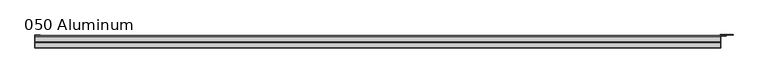
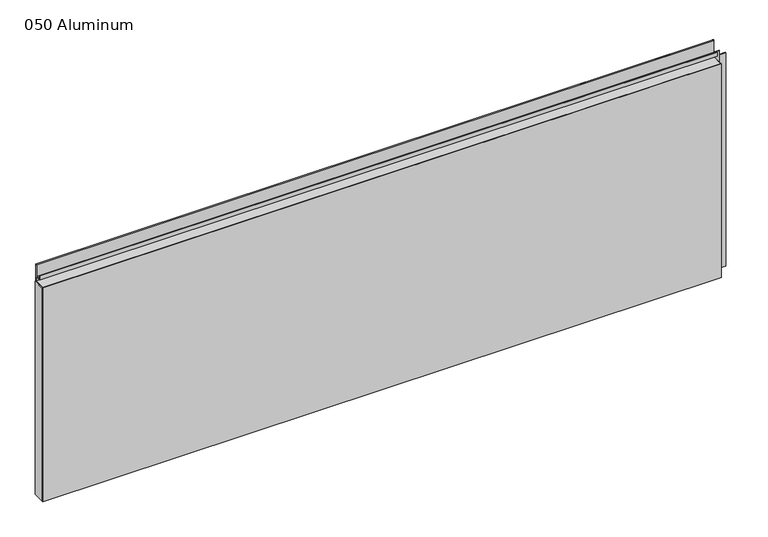
"""IFC4 building model written with IfcOpenShell, lengths in millimetres: plate geometry, 050 Aluminum."""

import ifcopenshell
import ifcopenshell.guid

model = None  # the IFC model being written
_history = None  # IfcOwnerHistory: only IFC2X3 demands one
_inside = {}  # id of a spatial element -> (the spatial element, [elements in it])
_under = {}  # id of a project, library or spatial element -> (it, [spatial elements below it])
_declared = {}  # id of a project -> (the project, [libraries it declares])
_typed = {}  # id of a type object -> (the type object, [elements of that type])
_made_of = {}  # id of a material, layer set ... -> (it, [elements and type objects made of it])


def new_model(schema):
    """Start an empty IFC model of exactly this schema.

    Asked for "IFC4X3", IfcOpenShell would pick the latest addendum, in which some entities
    have other attributes; the version numbers below select the first issue.
    IFC2X3 requires an IfcOwnerHistory on every rooted entity: one is made here for all.
    """
    global model, _history
    if schema == "IFC4X3":
        model = ifcopenshell.file(schema_version=(4, 3, 0, 0))
    else:
        model = ifcopenshell.file(schema=schema)
    _inside.clear()
    _under.clear()
    _declared.clear()
    _typed.clear()
    _made_of.clear()
    _history = None
    if model.schema == "IFC2X3":
        org = make("IfcOrganization", Name="unknown")
        user = make(
            "IfcPersonAndOrganization",
            ThePerson=make("IfcPerson", FamilyName="unknown"),
            TheOrganization=org,
        )
        app = make(
            "IfcApplication",
            ApplicationDeveloper=org,
            Version="unknown",
            ApplicationFullName="unknown",
            ApplicationIdentifier="unknown",
        )
        _history = make(
            "IfcOwnerHistory",
            OwningUser=user,
            OwningApplication=app,
            ChangeAction="ADDED",
            CreationDate=0,
        )
    return model


def make(cls, **values):
    """One entity of the class cls with the attributes given. An attribute that is None is left unset."""
    return model.create_entity(
        cls, **{name: value for name, value in values.items() if value is not None}
    )


def rooted(cls, **values):
    """An entity with a GlobalId (a new one), such as an element, a storey or a relation."""
    return make(cls, GlobalId=ifcopenshell.guid.new(), OwnerHistory=_history, **values)


def si_unit(unit_type, name, prefix=None):
    """IfcSIUnit, for example si_unit("LENGTHUNIT", "METRE", prefix="MILLI")."""
    return make("IfcSIUnit", UnitType=unit_type, Prefix=prefix, Name=name)


def assignment(units):
    """IfcUnitAssignment: the units of a project."""
    return None if units is None else make("IfcUnitAssignment", Units=units)


def point(xyz):
    """IfcCartesianPoint."""
    return None if xyz is None else make("IfcCartesianPoint", Coordinates=xyz)


def direction(xyz):
    """IfcDirection."""
    return None if xyz is None else make("IfcDirection", DirectionRatios=xyz)


def frame(location, z_axis=None, x_axis=None):
    """IfcAxis2Placement3D, a coordinate frame: its origin and axes. An axis left out is left unset."""
    return make(
        "IfcAxis2Placement3D",
        Location=point(location),
        Axis=direction(z_axis),
        RefDirection=direction(x_axis),
    )


def frame_2d(location, x_axis=None):
    """IfcAxis2Placement2D, a coordinate frame in the plane: its origin and x axis."""
    return make(
        "IfcAxis2Placement2D", Location=point(location), RefDirection=direction(x_axis)
    )


def origin():
    """The frame at (0, 0, 0) with its axes left unset."""
    return frame((0.0, 0.0, 0.0))


def origin_with_axes():
    """The frame at (0, 0, 0) with the z axis (0, 0, 1) and the x axis (1, 0, 0) written out."""
    return frame((0.0, 0.0, 0.0), z_axis=(0.0, 0.0, 1.0), x_axis=(1.0, 0.0, 0.0))


def place(relative_to, where):
    """IfcLocalPlacement: puts the frame where relative to a parent placement (None: the world)."""
    return make(
        "IfcLocalPlacement", PlacementRelTo=relative_to, RelativePlacement=where
    )


def context(
    kind, dimensions, precision=None, world=None, true_north=None, identifier=None
):
    """IfcGeometricRepresentationContext, for example the 3D "Model" context."""
    return make(
        "IfcGeometricRepresentationContext",
        ContextIdentifier=identifier,
        ContextType=kind,
        CoordinateSpaceDimension=dimensions,
        Precision=precision,
        WorldCoordinateSystem=world,
        TrueNorth=true_north,
    )


def project(units=None, contexts=None):
    """IfcProject with its units and contexts."""
    return rooted(
        "IfcProject",
        Name="project",
        RepresentationContexts=contexts,
        UnitsInContext=assignment(units),
    )


def spatial(cls, under=None, at=None, **own):
    """A site, building, storey or space (cls), placed at a placement, below another one or the project."""
    s = rooted(cls, ObjectPlacement=at, **own)
    if under is not None:
        _under.setdefault(under.id(), (under, []))[1].append(s)
    return s


def polyline(points):
    """IfcPolyline through the points."""
    return make("IfcPolyline", Points=[point(p) for p in points])


def circle_curve(where, radius):
    """IfcCircle in the frame where."""
    return make("IfcCircle", Position=where, Radius=radius)


def trimmed(basis, trim1, trim2, sense, master):
    """IfcTrimmedCurve: the piece of a basis curve between two trims."""
    return make(
        "IfcTrimmedCurve",
        BasisCurve=basis,
        Trim1=trim1,
        Trim2=trim2,
        SenseAgreement=sense,
        MasterRepresentation=master,
    )


def segment(curve, same_sense, transition):
    """IfcCompositeCurveSegment."""
    return make(
        "IfcCompositeCurveSegment",
        Transition=transition,
        SameSense=same_sense,
        ParentCurve=curve,
    )


def composite_curve(segments, self_intersect=None):
    """IfcCompositeCurve: segments joined end to end."""
    return make("IfcCompositeCurve", Segments=segments, SelfIntersect=self_intersect)


def outline(outer, holes=None, kind="AREA"):
    """IfcArbitraryClosedProfileDef: a profile drawn as a closed curve; with holes, ...WithVoids."""
    if holes is None:
        return make("IfcArbitraryClosedProfileDef", ProfileType=kind, OuterCurve=outer)
    return make(
        "IfcArbitraryProfileDefWithVoids",
        ProfileType=kind,
        OuterCurve=outer,
        InnerCurves=holes,
    )


def extrude(swept, where, along, depth):
    """IfcExtrudedAreaSolid: the profile swept, set in the frame where, extruded along a direction by depth."""
    return make(
        "IfcExtrudedAreaSolid",
        SweptArea=swept,
        Position=where,
        ExtrudedDirection=direction(along),
        Depth=depth,
    )


def shape(context_of_items, identifier, shape_type, items):
    """IfcShapeRepresentation: the items that make up one representation, for example the "Body"."""
    return make(
        "IfcShapeRepresentation",
        ContextOfItems=context_of_items,
        RepresentationIdentifier=identifier,
        RepresentationType=shape_type,
        Items=items,
    )


def source(mapping_origin, context_of_items, identifier, shape_type, items):
    """IfcRepresentationMap: a shape defined once, which mapped items show again and again."""
    return make(
        "IfcRepresentationMap",
        MappingOrigin=mapping_origin,
        MappedRepresentation=shape(context_of_items, identifier, shape_type, items),
    )


def transform(
    local_origin,
    x_axis=None,
    y_axis=None,
    z_axis=None,
    scale=None,
    scale2=None,
    scale3=None,
    uniform=True,
):
    """IfcCartesianTransformationOperator3D, or its non-uniform kind. x_axis, y_axis, z_axis: its Axis1, 2, 3."""
    if uniform:
        return make(
            "IfcCartesianTransformationOperator3D",
            Axis1=direction(x_axis),
            Axis2=direction(y_axis),
            LocalOrigin=point(local_origin),
            Scale=scale,
            Axis3=direction(z_axis),
        )
    return make(
        "IfcCartesianTransformationOperator3DnonUniform",
        Axis1=direction(x_axis),
        Axis2=direction(y_axis),
        LocalOrigin=point(local_origin),
        Scale=scale,
        Axis3=direction(z_axis),
        Scale2=scale2,
        Scale3=scale3,
    )


def mapped(mapping_source, mapping_target):
    """IfcMappedItem: shows the shape of a source again, moved by a transform."""
    return make(
        "IfcMappedItem", MappingSource=mapping_source, MappingTarget=mapping_target
    )


def made_of(thing, what):
    """Note that an element or type object is made of a material, layer set ...; save() writes the relation."""
    if what is not None:
        _made_of.setdefault(what.id(), (what, []))[1].append(thing)
    return thing


def element(
    cls,
    number,
    at=None,
    inside=None,
    cuts=None,
    type_object=None,
    material=None,
    context=None,
    identifier="Body",
    shape_type=None,
    held_by="IfcProductDefinitionShape",
    body=None,
    shapes=None,
    **own,
):
    """One element of the class cls, such as IfcWall. Its Tag is "e" and its number.

    at: its placement. inside: the storey or other place that contains it. cuts: it is an
    opening in that element (IfcRelVoidsElement). A single representation is given by context,
    identifier, shape_type and body (its items); several are given by shapes. held_by: the class
    of the entity that holds the representations. save() writes the other relations.
    """
    e = rooted(cls, Tag="e%d" % number, ObjectPlacement=at, **own)
    if body is not None:
        shapes = [shape(context, identifier, shape_type, body)]
    if shapes is not None:
        e.Representation = make(held_by, Representations=shapes)
    if inside is not None:
        _inside.setdefault(inside.id(), (inside, []))[1].append(e)
    if cuts is not None:
        rooted(
            "IfcRelVoidsElement", RelatingBuildingElement=cuts, RelatedOpeningElement=e
        )
    if type_object is not None:
        _typed.setdefault(type_object.id(), (type_object, []))[1].append(e)
    return made_of(e, material)


def aggregate(whole, parts):
    """IfcRelAggregates: a whole, such as a stair, and the parts it consists of."""
    return rooted("IfcRelAggregates", RelatingObject=whole, RelatedObjects=parts)


def save(model, path):
    """Write the relations noted so far, then the file.

    IfcRelAggregates (storeys below a building ...), IfcRelContainedInSpatialStructure (elements
    in a storey), IfcRelDefinesByType, IfcRelAssociatesMaterial and IfcRelDeclares: one each for
    every whole, place, type object, material and project.
    """
    for whole, parts in _under.values():
        aggregate(whole, parts)
    for where, things in _inside.values():
        rooted(
            "IfcRelContainedInSpatialStructure",
            RelatedElements=things,
            RelatingStructure=where,
        )
    for kind, things in _typed.values():
        rooted("IfcRelDefinesByType", RelatedObjects=things, RelatingType=kind)
    for what, things in _made_of.values():
        rooted("IfcRelAssociatesMaterial", RelatedObjects=things, RelatingMaterial=what)
    for by, libraries in _declared.values():
        rooted("IfcRelDeclares", RelatingContext=by, RelatedDefinitions=libraries)
    model.write(path)


def plate_050_aluminum_e6b565a1(model_context):
    return source(origin(), model_context, "Body", "SweptSolid", [
        extrude(outline(polyline([(-919.48, -2.5660257), (-919.48, -34.7980001), (-920.7499999, -34.7980001), (-920.7499999, -1.2699999), (-906.5894994, -1.2699999), (-906.5894994, -2.5660257), (-919.48, -2.5660257)])), origin_with_axes(), (0.0, 0.0, 1.0), 608.33),
        extrude(outline(composite_curve([segment(polyline([(-2.0574743, 656.7932001), (-2.0574743, 608.33), (-34.7980002, 608.33), (-34.7980002, 609.6000001), (-3.3274743, 609.6000001), (-3.3274743, 656.7932001)]), True, "CONTINUOUS"), segment(trimmed(circle_curve(frame_2d((-3.7084742, 656.7932001)), 0.3809999), [point((-3.3274743, 656.7932001))], [point((-4.0894742, 656.7932001))], True, "CARTESIAN"), True, "CONTINUOUS"), segment(polyline([(-4.0894742, 656.7932001), (-4.0894742, 622.3), (-20.4864742, 622.3), (-20.4864742, 633.6538), (-19.2164743, 633.6538), (-19.2164743, 623.57), (-5.3594742, 623.57), (-5.3594742, 656.7932001)]), True, "CONTINUOUS"), segment(trimmed(circle_curve(frame_2d((-3.7084742, 656.7932001)), 1.6509999), [point((-5.3594742, 656.7932001))], [point((-2.0574743, 656.7932001))], False, "CARTESIAN"), True, "CONTINUOUS")], self_intersect=False)), frame((-919.48, 0.0, 0.0), z_axis=(1.0, 0.0, 0.0), x_axis=(0.0, 1.0, 0.0)), (0.0, 0.0, 1.0), 1826.26),
        extrude(outline(polyline([(-920.75, -36.068), (-920.75, -34.7980001), (908.05, -34.7980001), (908.05, -36.068), (-920.75, -36.068)])), origin_with_axes(), (0.0, 0.0, 1.0), 609.6),
        extrude(outline(polyline([(908.05, -1.2699999), (908.05, -34.7980002), (906.7800001, -34.7980002), (906.7800001, 0.0), (940.5620856, 0.0), (940.5620856, -1.2699999), (908.05, -1.2699999)])), origin_with_axes(), (0.0, 0.0, 1.0), 608.33),
        extrude(outline(polyline([(906.78, -3.3274743), (906.78, -2.0574743), (922.5279999, -2.0574743), (922.5279999, -3.3274743), (906.78, -3.3274743)])), origin_with_axes(), (0.0, 0.0, 1.0), 622.3),
    ])


if __name__ == "__main__":
    model = new_model("IFC4")
    model_context = context("Model", 3, world=origin())
    ifc_project = project(units=[si_unit("LENGTHUNIT", "METRE", prefix="MILLI")], contexts=[model_context])
    site = spatial("IfcSite", under=ifc_project)
    building = spatial("IfcBuilding", under=site)
    placement = place(None, origin())
    plate_050_aluminum_shape = plate_050_aluminum_e6b565a1(model_context)
    element("IfcPlate", 1, ObjectType="050 Aluminum", at=placement, inside=building, context=model_context, shape_type="MappedRepresentation", body=[
        mapped(plate_050_aluminum_shape, transform((0.0, 0.0, 0.0), x_axis=(1.0, 0.0, 0.0), y_axis=(0.0, 1.0, 0.0), z_axis=(0.0, 0.0, 1.0))),
    ])
    save(model, "model.ifc")
